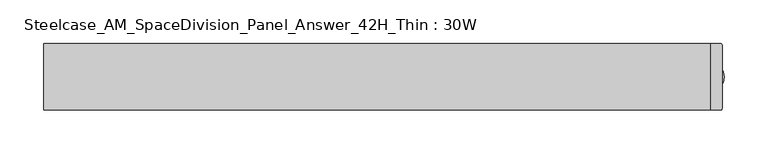
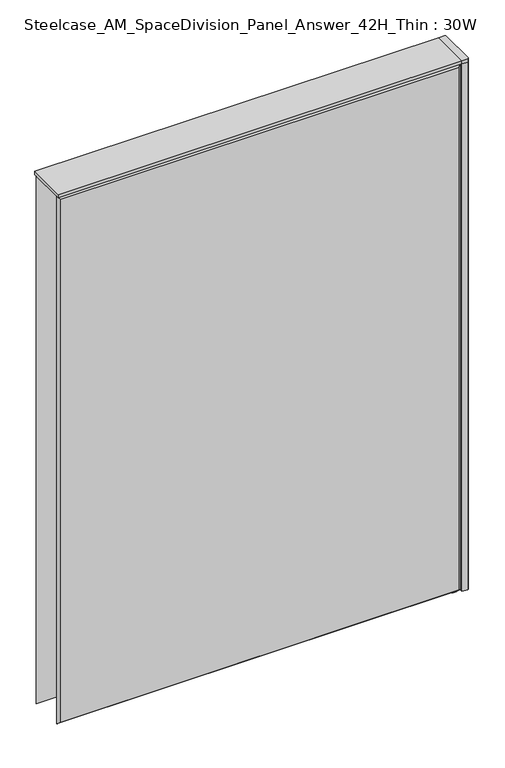
"""IFC4 building model written with IfcOpenShell, lengths in millimetres: furniture geometry, Steelcase_AM_SpaceDivision_Panel_Answer_42H_Thin : 30W."""

import ifcopenshell
import ifcopenshell.guid

model = None  # the IFC model being written
_history = None  # IfcOwnerHistory: only IFC2X3 demands one
_inside = {}  # id of a spatial element -> (the spatial element, [elements in it])
_under = {}  # id of a project, library or spatial element -> (it, [spatial elements below it])
_declared = {}  # id of a project -> (the project, [libraries it declares])
_typed = {}  # id of a type object -> (the type object, [elements of that type])
_made_of = {}  # id of a material, layer set ... -> (it, [elements and type objects made of it])


def new_model(schema):
    """Start an empty IFC model of exactly this schema.

    Asked for "IFC4X3", IfcOpenShell would pick the latest addendum, in which some entities
    have other attributes; the version numbers below select the first issue.
    IFC2X3 requires an IfcOwnerHistory on every rooted entity: one is made here for all.
    """
    global model, _history
    if schema == "IFC4X3":
        model = ifcopenshell.file(schema_version=(4, 3, 0, 0))
    else:
        model = ifcopenshell.file(schema=schema)
    _inside.clear()
    _under.clear()
    _declared.clear()
    _typed.clear()
    _made_of.clear()
    _history = None
    if model.schema == "IFC2X3":
        org = make("IfcOrganization", Name="unknown")
        user = make(
            "IfcPersonAndOrganization",
            ThePerson=make("IfcPerson", FamilyName="unknown"),
            TheOrganization=org,
        )
        app = make(
            "IfcApplication",
            ApplicationDeveloper=org,
            Version="unknown",
            ApplicationFullName="unknown",
            ApplicationIdentifier="unknown",
        )
        _history = make(
            "IfcOwnerHistory",
            OwningUser=user,
            OwningApplication=app,
            ChangeAction="ADDED",
            CreationDate=0,
        )
    return model


def make(cls, **values):
    """One entity of the class cls with the attributes given. An attribute that is None is left unset."""
    return model.create_entity(
        cls, **{name: value for name, value in values.items() if value is not None}
    )


def rooted(cls, **values):
    """An entity with a GlobalId (a new one), such as an element, a storey or a relation."""
    return make(cls, GlobalId=ifcopenshell.guid.new(), OwnerHistory=_history, **values)


def si_unit(unit_type, name, prefix=None):
    """IfcSIUnit, for example si_unit("LENGTHUNIT", "METRE", prefix="MILLI")."""
    return make("IfcSIUnit", UnitType=unit_type, Prefix=prefix, Name=name)


def assignment(units):
    """IfcUnitAssignment: the units of a project."""
    return None if units is None else make("IfcUnitAssignment", Units=units)


def point(xyz):
    """IfcCartesianPoint."""
    return None if xyz is None else make("IfcCartesianPoint", Coordinates=xyz)


def direction(xyz):
    """IfcDirection."""
    return None if xyz is None else make("IfcDirection", DirectionRatios=xyz)


def frame(location, z_axis=None, x_axis=None):
    """IfcAxis2Placement3D, a coordinate frame: its origin and axes. An axis left out is left unset."""
    return make(
        "IfcAxis2Placement3D",
        Location=point(location),
        Axis=direction(z_axis),
        RefDirection=direction(x_axis),
    )


def frame_2d(location, x_axis=None):
    """IfcAxis2Placement2D, a coordinate frame in the plane: its origin and x axis."""
    return make(
        "IfcAxis2Placement2D", Location=point(location), RefDirection=direction(x_axis)
    )


def origin():
    """The frame at (0, 0, 0) with its axes left unset."""
    return frame((0.0, 0.0, 0.0))


def place(relative_to, where):
    """IfcLocalPlacement: puts the frame where relative to a parent placement (None: the world)."""
    return make(
        "IfcLocalPlacement", PlacementRelTo=relative_to, RelativePlacement=where
    )


def context(
    kind, dimensions, precision=None, world=None, true_north=None, identifier=None
):
    """IfcGeometricRepresentationContext, for example the 3D "Model" context."""
    return make(
        "IfcGeometricRepresentationContext",
        ContextIdentifier=identifier,
        ContextType=kind,
        CoordinateSpaceDimension=dimensions,
        Precision=precision,
        WorldCoordinateSystem=world,
        TrueNorth=true_north,
    )


def project(units=None, contexts=None):
    """IfcProject with its units and contexts."""
    return rooted(
        "IfcProject",
        Name="project",
        RepresentationContexts=contexts,
        UnitsInContext=assignment(units),
    )


def spatial(cls, under=None, at=None, **own):
    """A site, building, storey or space (cls), placed at a placement, below another one or the project."""
    s = rooted(cls, ObjectPlacement=at, **own)
    if under is not None:
        _under.setdefault(under.id(), (under, []))[1].append(s)
    return s


def polyline(points):
    """IfcPolyline through the points."""
    return make("IfcPolyline", Points=[point(p) for p in points])


def circle_curve(where, radius):
    """IfcCircle in the frame where."""
    return make("IfcCircle", Position=where, Radius=radius)


def trimmed(basis, trim1, trim2, sense, master):
    """IfcTrimmedCurve: the piece of a basis curve between two trims."""
    return make(
        "IfcTrimmedCurve",
        BasisCurve=basis,
        Trim1=trim1,
        Trim2=trim2,
        SenseAgreement=sense,
        MasterRepresentation=master,
    )


def segment(curve, same_sense, transition):
    """IfcCompositeCurveSegment."""
    return make(
        "IfcCompositeCurveSegment",
        Transition=transition,
        SameSense=same_sense,
        ParentCurve=curve,
    )


def composite_curve(segments, self_intersect=None):
    """IfcCompositeCurve: segments joined end to end."""
    return make("IfcCompositeCurve", Segments=segments, SelfIntersect=self_intersect)


def outline(outer, holes=None, kind="AREA"):
    """IfcArbitraryClosedProfileDef: a profile drawn as a closed curve; with holes, ...WithVoids."""
    if holes is None:
        return make("IfcArbitraryClosedProfileDef", ProfileType=kind, OuterCurve=outer)
    return make(
        "IfcArbitraryProfileDefWithVoids",
        ProfileType=kind,
        OuterCurve=outer,
        InnerCurves=holes,
    )


def extrude(swept, where, along, depth):
    """IfcExtrudedAreaSolid: the profile swept, set in the frame where, extruded along a direction by depth."""
    return make(
        "IfcExtrudedAreaSolid",
        SweptArea=swept,
        Position=where,
        ExtrudedDirection=direction(along),
        Depth=depth,
    )


def faces_of(points, faces, orient=None, outer=None):
    """IfcFace entities. A face is a list of loops; a loop is a list of indices into points, from 0.

    orient and outer hold one flag for each loop. By default every Orientation is true, the
    first loop of a face is its IfcFaceOuterBound and the others are IfcFaceBound.
    """
    made = []
    for i, loops in enumerate(faces):
        bounds = []
        for j, loop in enumerate(loops):
            is_outer = j == 0 if outer is None else outer[i][j]
            bounds.append(
                make(
                    "IfcFaceOuterBound" if is_outer else "IfcFaceBound",
                    Bound=make("IfcPolyLoop", Polygon=[points[k] for k in loop]),
                    Orientation=True if orient is None else orient[i][j],
                )
            )
        made.append(make("IfcFace", Bounds=bounds))
    return made


def faceted_brep(points, faces, orient=None, outer=None, voids=None):
    """IfcFacetedBrep: a solid bounded by flat faces; with voids (closed shells), ...WithVoids."""
    shared = [point(p) for p in points]
    hull = make("IfcClosedShell", CfsFaces=faces_of(shared, faces, orient, outer))
    if voids is None:
        return make("IfcFacetedBrep", Outer=hull)
    return make(
        "IfcFacetedBrepWithVoids",
        Outer=hull,
        Voids=[
            make(cls, CfsFaces=faces_of(shared, fs, o, b)) for cls, fs, o, b in voids
        ],
    )


def shape(context_of_items, identifier, shape_type, items):
    """IfcShapeRepresentation: the items that make up one representation, for example the "Body"."""
    return make(
        "IfcShapeRepresentation",
        ContextOfItems=context_of_items,
        RepresentationIdentifier=identifier,
        RepresentationType=shape_type,
        Items=items,
    )


def source(mapping_origin, context_of_items, identifier, shape_type, items):
    """IfcRepresentationMap: a shape defined once, which mapped items show again and again."""
    return make(
        "IfcRepresentationMap",
        MappingOrigin=mapping_origin,
        MappedRepresentation=shape(context_of_items, identifier, shape_type, items),
    )


def transform(
    local_origin,
    x_axis=None,
    y_axis=None,
    z_axis=None,
    scale=None,
    scale2=None,
    scale3=None,
    uniform=True,
):
    """IfcCartesianTransformationOperator3D, or its non-uniform kind. x_axis, y_axis, z_axis: its Axis1, 2, 3."""
    if uniform:
        return make(
            "IfcCartesianTransformationOperator3D",
            Axis1=direction(x_axis),
            Axis2=direction(y_axis),
            LocalOrigin=point(local_origin),
            Scale=scale,
            Axis3=direction(z_axis),
        )
    return make(
        "IfcCartesianTransformationOperator3DnonUniform",
        Axis1=direction(x_axis),
        Axis2=direction(y_axis),
        LocalOrigin=point(local_origin),
        Scale=scale,
        Axis3=direction(z_axis),
        Scale2=scale2,
        Scale3=scale3,
    )


def mapped(mapping_source, mapping_target):
    """IfcMappedItem: shows the shape of a source again, moved by a transform."""
    return make(
        "IfcMappedItem", MappingSource=mapping_source, MappingTarget=mapping_target
    )


def made_of(thing, what):
    """Note that an element or type object is made of a material, layer set ...; save() writes the relation."""
    if what is not None:
        _made_of.setdefault(what.id(), (what, []))[1].append(thing)
    return thing


def element(
    cls,
    number,
    at=None,
    inside=None,
    cuts=None,
    type_object=None,
    material=None,
    context=None,
    identifier="Body",
    shape_type=None,
    held_by="IfcProductDefinitionShape",
    body=None,
    shapes=None,
    **own,
):
    """One element of the class cls, such as IfcWall. Its Tag is "e" and its number.

    at: its placement. inside: the storey or other place that contains it. cuts: it is an
    opening in that element (IfcRelVoidsElement). A single representation is given by context,
    identifier, shape_type and body (its items); several are given by shapes. held_by: the class
    of the entity that holds the representations. save() writes the other relations.
    """
    e = rooted(cls, Tag="e%d" % number, ObjectPlacement=at, **own)
    if body is not None:
        shapes = [shape(context, identifier, shape_type, body)]
    if shapes is not None:
        e.Representation = make(held_by, Representations=shapes)
    if inside is not None:
        _inside.setdefault(inside.id(), (inside, []))[1].append(e)
    if cuts is not None:
        rooted(
            "IfcRelVoidsElement", RelatingBuildingElement=cuts, RelatedOpeningElement=e
        )
    if type_object is not None:
        _typed.setdefault(type_object.id(), (type_object, []))[1].append(e)
    return made_of(e, material)


def aggregate(whole, parts):
    """IfcRelAggregates: a whole, such as a stair, and the parts it consists of."""
    return rooted("IfcRelAggregates", RelatingObject=whole, RelatedObjects=parts)


def save(model, path):
    """Write the relations noted so far, then the file.

    IfcRelAggregates (storeys below a building ...), IfcRelContainedInSpatialStructure (elements
    in a storey), IfcRelDefinesByType, IfcRelAssociatesMaterial and IfcRelDeclares: one each for
    every whole, place, type object, material and project.
    """
    for whole, parts in _under.values():
        aggregate(whole, parts)
    for where, things in _inside.values():
        rooted(
            "IfcRelContainedInSpatialStructure",
            RelatedElements=things,
            RelatingStructure=where,
        )
    for kind, things in _typed.values():
        rooted("IfcRelDefinesByType", RelatedObjects=things, RelatingType=kind)
    for what, things in _made_of.values():
        rooted("IfcRelAssociatesMaterial", RelatedObjects=things, RelatingMaterial=what)
    for by, libraries in _declared.values():
        rooted("IfcRelDeclares", RelatingContext=by, RelatedDefinitions=libraries)
    model.write(path)


def steelcase_am_spacedivision_panel_answer_42h_thin_30w_99be54b4(model_context):
    return source(origin(), model_context, "Body", "SolidModel", [
        extrude(outline(composite_curve([segment(trimmed(circle_curve(frame_2d((381.0, -1.94e-05)), 5.08), [point((386.08, -1.94e-05))], [point((375.92, -1.94e-05))], False, "CARTESIAN"), True, "CONTINUOUS"), segment(trimmed(circle_curve(frame_2d((381.0, -1.94e-05)), 5.08), [point((375.92, -1.94e-05))], [point((386.08, -1.94e-05))], False, "CARTESIAN"), True, "CONTINUOUS")], self_intersect=False)), frame((0.0, 0.0, 5.0799671), z_axis=(0.0, 0.0, 1.0), x_axis=(1.0, 0.0, 0.0)), (0.0, 0.0, 1.0), 10.414),
        extrude(outline(composite_curve([segment(trimmed(circle_curve(frame_2d((381.0, -1.94e-05)), 15.24), [point((396.24, -1.94e-05))], [point((365.76, -1.94e-05))], False, "CARTESIAN"), True, "CONTINUOUS"), segment(trimmed(circle_curve(frame_2d((381.0, -1.94e-05)), 15.24), [point((365.76, -1.94e-05))], [point((396.24, -1.94e-05))], False, "CARTESIAN"), True, "CONTINUOUS")], self_intersect=False)), frame((0.0, 0.0, -3.29e-05), z_axis=(0.0, 0.0, 1.0), x_axis=(1.0, 0.0, 0.0)), (0.0, 0.0, 1.0), 5.08),
        extrude(outline(composite_curve([segment(polyline([(393.7, 36.322), (393.7, -36.322)]), True, "CONTINUOUS"), segment(trimmed(circle_curve(frame_2d((391.922, -36.322)), 1.778), [point((393.7, -36.322))], [point((391.922, -38.1))], False, "CARTESIAN"), True, "CONTINUOUS"), segment(polyline([(391.922, -38.1), (381.0, -38.1), (381.0, 38.1), (391.922, 38.1)]), True, "CONTINUOUS"), segment(trimmed(circle_curve(frame_2d((391.922, 36.322)), 1.778), [point((391.922, 38.1))], [point((393.7, 36.322))], False, "CARTESIAN"), True, "CONTINUOUS")], self_intersect=False)), frame((0.0, 0.0, 1066.7999671), z_axis=(0.0, 0.0, 1.0), x_axis=(1.0, 0.0, 0.0)), (0.0, 0.0, 1.0), 6.35),
        extrude(outline(composite_curve([segment(polyline([(393.7, 36.322), (393.7, -36.322)]), True, "CONTINUOUS"), segment(trimmed(circle_curve(frame_2d((391.922, -36.322)), 1.778), [point((393.7, -36.322))], [point((391.922, -38.1))], False, "CARTESIAN"), True, "CONTINUOUS"), segment(polyline([(391.922, -38.1), (381.0, -38.1), (381.0, 38.1), (391.922, 38.1)]), True, "CONTINUOUS"), segment(trimmed(circle_curve(frame_2d((391.922, 36.322)), 1.778), [point((391.922, 38.1))], [point((393.7, 36.322))], False, "CARTESIAN"), True, "CONTINUOUS")], self_intersect=False)), frame((0.0, 0.0, 15.4939671), z_axis=(0.0, 0.0, 1.0), x_axis=(1.0, 0.0, 0.0)), (0.0, 0.0, 1.0), 1051.306),
        faceted_brep([(-381.0, 33.2700541, 1066.8), (-381.0, 33.2700541, 15.494), (381.0, 33.2700541, 15.494), (381.0, 33.2700541, 1066.8), (376.174, 38.0960541, 1061.974), (-376.174, 38.0960541, 1061.974), (376.174, 38.0960541, 20.32), (-376.174, 38.0960541, 20.32)], [[[0, 1, 2, 3]], [[0, 3, 4, 5]], [[5, 4, 6, 7]], [[3, 2, 6, 4]], [[2, 1, 7, 6]], [[1, 0, 5, 7]]]),
        faceted_brep([(381.0, -33.2700541, 1066.8), (381.0, -33.2700541, 15.494), (-381.0, -33.2700541, 15.494), (-381.0, -33.2700541, 1066.8), (-376.174, -38.0960541, 1061.974), (376.174, -38.0960541, 1061.974), (-376.174, -38.0960541, 20.32), (376.174, -38.0960541, 20.32)], [[[0, 1, 2, 3]], [[0, 3, 4, 5]], [[5, 4, 6, 7]], [[3, 2, 6, 4]], [[2, 1, 7, 6]], [[1, 0, 5, 7]]]),
        extrude(outline(polyline([(381.0, 38.1000194), (381.0, -38.1000194), (-381.0, -38.1000194), (-381.0, 38.1000194), (381.0, 38.1000194)])), frame((0.0, 0.0, 1066.8), z_axis=(0.0, 0.0, 1.0), x_axis=(1.0, 0.0, 0.0)), (0.0, 0.0, 1.0), 6.35),
    ])


if __name__ == "__main__":
    model = new_model("IFC4")
    model_context = context("Model", 3, world=origin())
    ifc_project = project(units=[si_unit("LENGTHUNIT", "METRE", prefix="MILLI")], contexts=[model_context])
    site = spatial("IfcSite", under=ifc_project)
    building = spatial("IfcBuilding", under=site)
    placement = place(None, origin())
    steelcase_am_spacedivision_panel_answer_42h_thin_30w_shape = steelcase_am_spacedivision_panel_answer_42h_thin_30w_99be54b4(model_context)
    element("IfcFurniture", 1, ObjectType="Steelcase_AM_SpaceDivision_Panel_Answer_42H_Thin : 30W", at=placement, inside=building, context=model_context, shape_type="MappedRepresentation", body=[
        mapped(steelcase_am_spacedivision_panel_answer_42h_thin_30w_shape, transform((0.0, 0.0, 0.0), x_axis=(1.0, 0.0, 0.0), y_axis=(0.0, 1.0, 0.0), z_axis=(0.0, 0.0, 1.0))),
    ])
    save(model, "model.ifc")
